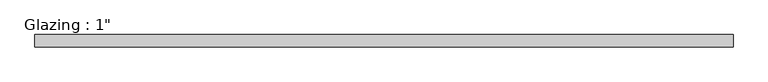
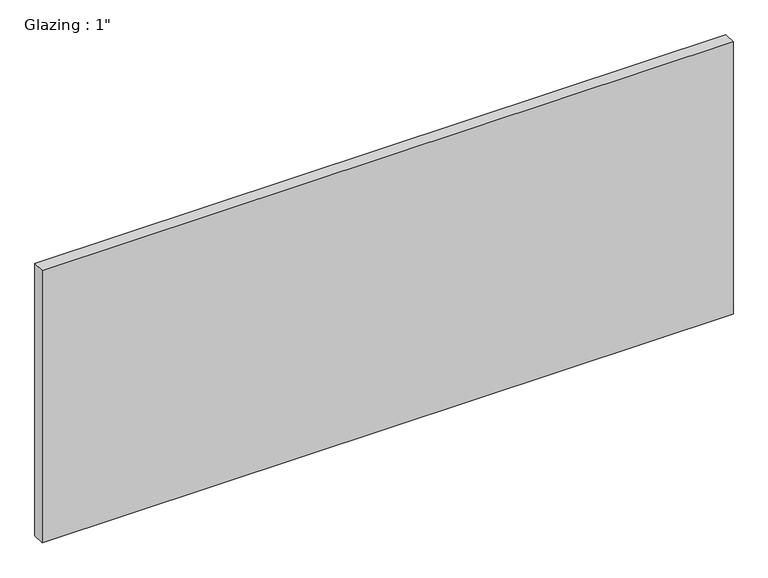
"""IFC4 building model written with IfcOpenShell, lengths in millimetres: plate geometry."""

from ifc_helpers import new_model, si_unit, origin, origin_with_axes, place, context, project, spatial, polyline, outline, extrude, source, transform, mapped, element, save


def plate_ac57b794(model_context):
    return source(origin(), model_context, "Body", "SweptSolid", [
        extrude(outline(polyline([(712.2881578, -12.7), (-712.2881578, -12.7), (-712.2881578, 12.7), (712.2881578, 12.7), (712.2881578, -12.7)])), origin_with_axes(), (0.0, 0.0, 1.0), 593.7249245),
    ])


if __name__ == "__main__":
    model = new_model("IFC4")
    model_context = context("Model", 3, world=origin())
    ifc_project = project(units=[si_unit("LENGTHUNIT", "METRE", prefix="MILLI")], contexts=[model_context])
    site = spatial("IfcSite", under=ifc_project)
    building = spatial("IfcBuilding", under=site)
    placement = place(None, origin())
    plate_shape = plate_ac57b794(model_context)
    element("IfcPlate", 1, ObjectType="Glazing : 1\"", at=placement, inside=building, context=model_context, shape_type="MappedRepresentation", body=[
        mapped(plate_shape, transform((0.0, 0.0, 0.0), x_axis=(1.0, 0.0, 0.0), y_axis=(0.0, 1.0, 0.0), z_axis=(0.0, 0.0, 1.0))),
    ])
    save(model, "model.ifc")
